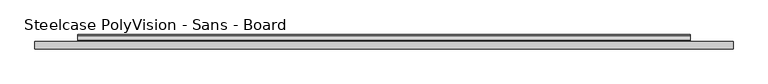
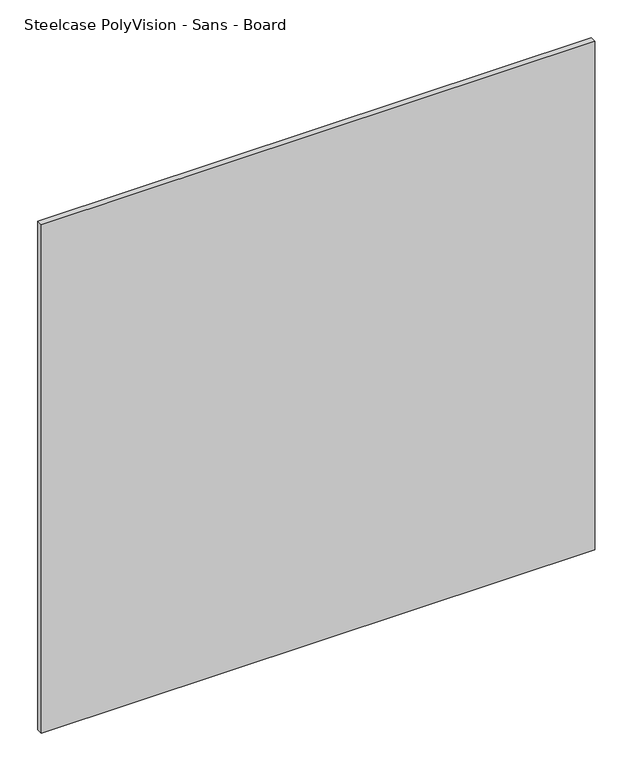
"""IFC4 building model written with IfcOpenShell, lengths in millimetres: furniture geometry, Steelcase PolyVision - Sans - Board."""

from ifc_helpers import new_model, si_unit, point, frame, frame_2d, origin, place, context, project, spatial, polyline, circle_curve, trimmed, segment, composite_curve, outline, extrude, source, transform, mapped, element, save


def steelcase_polyvision_sans_board_accf38c6(model_context):
    return source(origin(), model_context, "Body", "SweptSolid", [
        extrude(outline(composite_curve([segment(polyline([(-8.8481574, 619.3808713), (-8.8481574, 601.8344204)]), True, "CONTINUOUS"), segment(trimmed(circle_curve(frame_2d((-4.2772473, 601.8344204)), 4.5709102), [point((-8.8481574, 601.8344204))], [point((-7.9751913, 599.1477068))], True, "CARTESIAN"), True, "CONTINUOUS"), segment(polyline([(-7.9751913, 599.1477068), (0.0947957, 588.0403226)]), True, "CONTINUOUS"), segment(trimmed(circle_curve(frame_2d((-4.5154855, 584.6907573)), 5.698621), [point((0.0947957, 588.0403226))], [point((1.1831355, 584.6907573))], False, "CARTESIAN"), True, "CONTINUOUS"), segment(polyline([(1.1831355, 584.6907573), (1.1831355, 568.4530446), (-0.4876652, 568.4530446), (-0.4876652, 585.5209704), (-10.3887554, 599.1486519), (-10.3887554, 619.3808713), (-8.8481574, 619.3808713)]), True, "CONTINUOUS")], self_intersect=False)), frame((75.0, 0.0, 0.0), z_axis=(1.0, 0.0, 0.0), x_axis=(0.0, 1.0, 0.0)), (0.0, 0.0, 1.0), 1070.0),
        extrude(outline(composite_curve([segment(polyline([(-8.8481574, 1533.7681298), (-8.8481574, 1516.2216789)]), True, "CONTINUOUS"), segment(trimmed(circle_curve(frame_2d((-4.2772473, 1516.2216789)), 4.5709102), [point((-8.8481574, 1516.2216789))], [point((-7.9751913, 1513.5349653))], True, "CARTESIAN"), True, "CONTINUOUS"), segment(polyline([(-7.9751913, 1513.5349653), (0.0947957, 1502.4275811)]), True, "CONTINUOUS"), segment(trimmed(circle_curve(frame_2d((-4.5154855, 1499.0780158)), 5.698621), [point((0.0947957, 1502.4275811))], [point((1.1831355, 1499.0780158))], False, "CARTESIAN"), True, "CONTINUOUS"), segment(polyline([(1.1831355, 1499.0780158), (1.1831355, 1482.840303), (-0.4876652, 1482.840303), (-0.4876652, 1499.9082289), (-10.3887554, 1513.5359104), (-10.3887554, 1533.7681298), (-8.8481574, 1533.7681298)]), True, "CONTINUOUS")], self_intersect=False)), frame((75.0, 0.0, 0.0), z_axis=(1.0, 0.0, 0.0), x_axis=(0.0, 1.0, 0.0)), (0.0, 0.0, 1.0), 1070.0),
        extrude(outline(polyline([(0.0, -10.3887554), (1220.0, -10.3887554), (1220.0, -23.4949322), (0.0, -23.4949322), (0.0, -10.3887554)])), frame((0.0, 0.0, 483.0), z_axis=(0.0, 0.0, 1.0), x_axis=(1.0, 0.0, 0.0)), (0.0, 0.0, 1.0), 1185.0),
    ])


if __name__ == "__main__":
    model = new_model("IFC4")
    model_context = context("Model", 3, world=origin())
    ifc_project = project(units=[si_unit("LENGTHUNIT", "METRE", prefix="MILLI")], contexts=[model_context])
    site = spatial("IfcSite", under=ifc_project)
    building = spatial("IfcBuilding", under=site)
    placement = place(None, origin())
    steelcase_polyvision_sans_board_shape = steelcase_polyvision_sans_board_accf38c6(model_context)
    element("IfcFurniture", 1, ObjectType="Steelcase PolyVision - Sans - Board", at=placement, inside=building, context=model_context, shape_type="MappedRepresentation", body=[
        mapped(steelcase_polyvision_sans_board_shape, transform((0.0, 0.0, 0.0), x_axis=(1.0, 0.0, 0.0), y_axis=(0.0, 1.0, 0.0), z_axis=(0.0, 0.0, 1.0))),
    ])
    save(model, "model.ifc")
